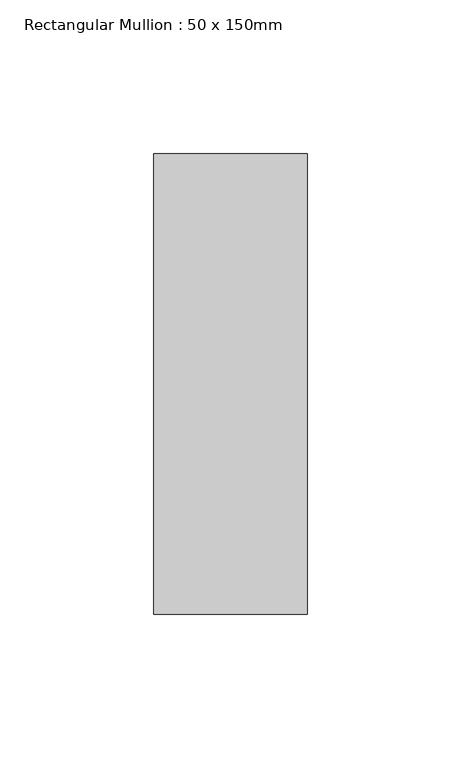
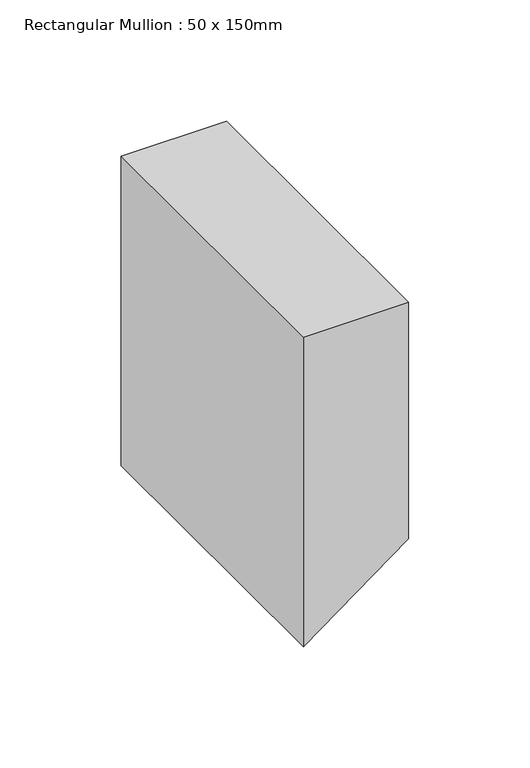
"""IFC4 building model written with IfcOpenShell, lengths in millimetres: member geometry, Rectangular Mullion : 50 x 150mm."""

from ifc_helpers import new_model, si_unit, frame, origin, place, context, project, spatial, polyline, outline, extrude, source, transform, mapped, element, save


def rectangular_mullion_50_x_150mm_70ded78d(model_context):
    return source(origin(), model_context, "Body", "SweptSolid", [
        extrude(outline(polyline([(0.0, 25.0), (0.0, -25.0), (-155.4981749, -25.0), (-118.7318734, 25.0), (0.0, 25.0)])), frame((0.0, -75.0, 0.0), z_axis=(0.0, 1.0, 0.0), x_axis=(0.0, 0.0, 1.0)), (0.0, 0.0, 1.0), 150.0),
    ])


if __name__ == "__main__":
    model = new_model("IFC4")
    model_context = context("Model", 3, world=origin())
    ifc_project = project(units=[si_unit("LENGTHUNIT", "METRE", prefix="MILLI")], contexts=[model_context])
    site = spatial("IfcSite", under=ifc_project)
    building = spatial("IfcBuilding", under=site)
    placement = place(None, origin())
    rectangular_mullion_50_x_150mm_shape = rectangular_mullion_50_x_150mm_70ded78d(model_context)
    element("IfcMember", 1, ObjectType="Rectangular Mullion : 50 x 150mm", at=placement, inside=building, context=model_context, shape_type="MappedRepresentation", body=[
        mapped(rectangular_mullion_50_x_150mm_shape, transform((0.0, 0.0, 0.0), x_axis=(1.0, 0.0, 0.0), y_axis=(0.0, 1.0, 0.0), z_axis=(0.0, 0.0, 1.0))),
    ])
    save(model, "model.ifc")
